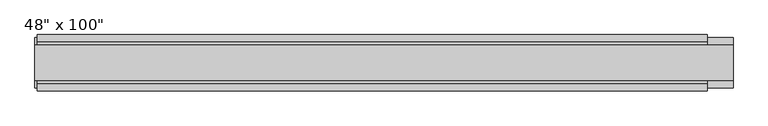
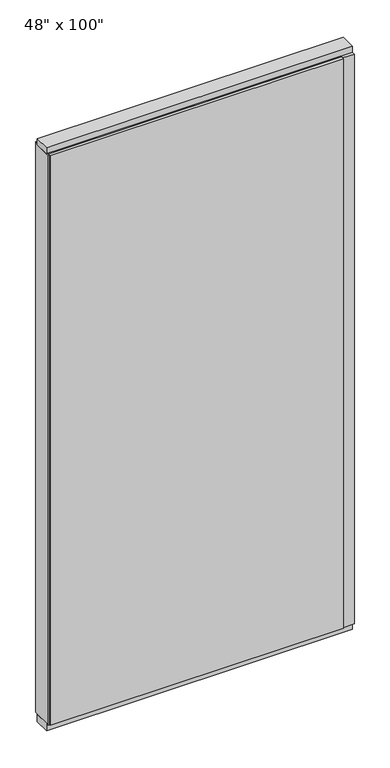
"""IFC4 building model written with IfcOpenShell, lengths in millimetres: furniture geometry."""

from ifc_helpers import new_model, si_unit, frame, origin, origin_with_axes, place, context, project, spatial, polyline, outline, extrude, source, transform, mapped, element, save


def furniture_a241d87a(model_context):
    return source(origin(), model_context, "Body", "SweptSolid", [
        extrude(outline(polyline([(545.6264771, 46.2822784), (545.6264771, 33.5822784), (-665.6995229, 33.5822784), (-665.6995229, 46.2822784), (545.6264771, 46.2822784)])), frame((0.0, 0.0, 31.75), z_axis=(0.0, 0.0, 1.0), x_axis=(1.0, 0.0, 0.0)), (0.0, 0.0, 1.0), 2482.85),
        extrude(outline(polyline([(545.6264771, -55.3177216), (-665.6995229, -55.3177216), (-665.6995229, -42.6177216), (545.6264771, -42.6177216), (545.6264771, -55.3177216)])), frame((0.0, 0.0, 31.75), z_axis=(0.0, 0.0, 1.0), x_axis=(1.0, 0.0, 0.0)), (0.0, 0.0, 1.0), 2482.85),
        extrude(outline(polyline([(-42.6177216, 2478.278), (-42.6177216, 2514.6), (33.5822784, 2514.6), (33.5822784, 2478.278), (28.6292784, 2478.278), (28.6292784, 2473.325), (-37.6647216, 2473.325), (-37.6647216, 2478.278), (-42.6177216, 2478.278)])), frame((-665.6995229, 0.0, 0.0), z_axis=(1.0, 0.0, 0.0), x_axis=(0.0, 1.0, 0.0)), (0.0, 0.0, 1.0), 1211.326),
        extrude(outline(polyline([(592.4894771, 27.9942784), (592.4894771, -37.0297216), (-669.6365229, -37.0297216), (-669.6365229, 27.9942784), (592.4894771, 27.9942784)])), origin_with_axes(), (0.0, 0.0, 1.0), 31.75),
        extrude(outline(polyline([(-669.6365229, -37.0297216), (-669.6365229, 27.9942784), (592.4894771, 27.9942784), (592.4894771, -37.0297216), (-669.6365229, -37.0297216)])), frame((0.0, 0.0, 2514.6), z_axis=(0.0, 0.0, 1.0), x_axis=(1.0, 0.0, 0.0)), (0.0, 0.0, 1.0), 25.4),
        extrude(outline(polyline([(592.4894771, -50.3647216), (545.6264771, -50.3647216), (545.6264771, 41.3292784), (592.4894771, 41.3292784), (592.4894771, -50.3647216)])), frame((0.0, 0.0, 31.75), z_axis=(0.0, 0.0, 1.0), x_axis=(1.0, 0.0, 0.0)), (0.0, 0.0, 1.0), 2482.85),
        extrude(outline(polyline([(-669.6365229, -50.3647216), (-669.6365229, 41.3292784), (-665.6995229, 41.3292784), (-665.6995229, -50.3647216), (-669.6365229, -50.3647216)])), frame((0.0, 0.0, 31.75), z_axis=(0.0, 0.0, 1.0), x_axis=(1.0, 0.0, 0.0)), (0.0, 0.0, 1.0), 2482.85),
    ])


if __name__ == "__main__":
    model = new_model("IFC4")
    model_context = context("Model", 3, world=origin())
    ifc_project = project(units=[si_unit("LENGTHUNIT", "METRE", prefix="MILLI")], contexts=[model_context])
    site = spatial("IfcSite", under=ifc_project)
    building = spatial("IfcBuilding", under=site)
    placement = place(None, origin())
    furniture_shape = furniture_a241d87a(model_context)
    element("IfcFurniture", 1, ObjectType="48\" x 100\"", at=placement, inside=building, context=model_context, shape_type="MappedRepresentation", body=[
        mapped(furniture_shape, transform((0.0, 0.0, 0.0), x_axis=(1.0, 0.0, 0.0), y_axis=(0.0, 1.0, 0.0), z_axis=(0.0, 0.0, 1.0))),
    ])
    save(model, "model.ifc")
